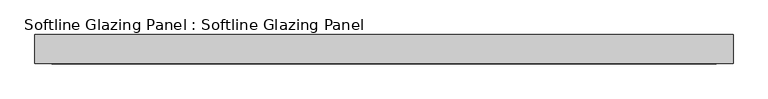
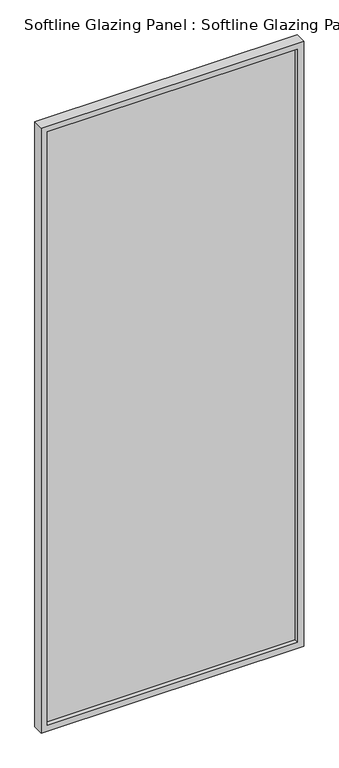
"""IFC4 building model written with IfcOpenShell, lengths in millimetres: plate geometry, Softline Glazing Panel : Softline Glazing Panel."""

from ifc_helpers import new_model, si_unit, frame, origin, place, context, project, spatial, polyline, outline, extrude, faceted_brep, source, transform, mapped, element, save


def softline_glazing_panel_softline_glazing_panel_7afdbf3e(model_context):
    return source(origin(), model_context, "Body", "SolidModel", [
        extrude(outline(polyline([(527.0, 4.0), (527.0, -4.0), (-527.0, -4.0), (-527.0, 4.0), (527.0, 4.0)])), frame((0.0, 0.0, 16.0), z_axis=(0.0, 0.0, 1.0), x_axis=(1.0, 0.0, 0.0)), (0.0, 0.0, 1.0), 2614.0),
        faceted_brep([(517.0, 4.0, 26.0), (517.0, 22.5, 26.0), (-517.0, 22.5, 26.0), (-517.0, 4.0, 26.0), (527.0, -4.0, 16.0), (527.0, 4.0, 16.0), (-527.0, 4.0, 16.0), (-527.0, -4.0, 16.0), (517.0, -22.5, 26.0), (517.0, -4.0, 26.0), (-517.0, -4.0, 26.0), (-517.0, -22.5, 26.0), (543.0, 22.5, 0.0), (543.0, -22.5, 0.0), (-543.0, -22.5, 0.0), (-543.0, 22.5, 0.0), (-517.0, 22.5, 2620.0), (-517.0, 4.0, 2620.0), (-527.0, 4.0, 2630.0), (-527.0, -4.0, 2630.0), (-517.0, -4.0, 2620.0), (-517.0, -22.5, 2620.0), (-543.0, -22.5, 2646.0), (-543.0, 22.5, 2646.0), (517.0, 22.5, 2620.0), (517.0, 4.0, 2620.0), (527.0, 4.0, 2630.0), (527.0, -4.0, 2630.0), (517.0, -4.0, 2620.0), (517.0, -22.5, 2620.0), (543.0, -22.5, 2646.0), (543.0, 22.5, 2646.0)], [[[0, 1, 2, 3]], [[4, 5, 6, 7]], [[8, 9, 10, 11]], [[12, 13, 14, 15]], [[3, 2, 16, 17]], [[7, 6, 18, 19]], [[11, 10, 20, 21]], [[15, 14, 22, 23]], [[17, 16, 24, 25]], [[19, 18, 26, 27]], [[21, 20, 28, 29]], [[23, 22, 30, 31]], [[15, 23, 31, 12], [1, 24, 16, 2]], [[25, 24, 1, 0]], [[5, 26, 18, 6], [3, 17, 25, 0]], [[27, 26, 5, 4]], [[7, 19, 27, 4], [9, 28, 20, 10]], [[29, 28, 9, 8]], [[13, 30, 22, 14], [11, 21, 29, 8]], [[31, 30, 13, 12]]]),
    ])


if __name__ == "__main__":
    model = new_model("IFC4")
    model_context = context("Model", 3, world=origin())
    ifc_project = project(units=[si_unit("LENGTHUNIT", "METRE", prefix="MILLI")], contexts=[model_context])
    site = spatial("IfcSite", under=ifc_project)
    building = spatial("IfcBuilding", under=site)
    placement = place(None, origin())
    softline_glazing_panel_softline_glazing_panel_shape = softline_glazing_panel_softline_glazing_panel_7afdbf3e(model_context)
    element("IfcPlate", 1, ObjectType="Softline Glazing Panel : Softline Glazing Panel", at=placement, inside=building, context=model_context, shape_type="MappedRepresentation", body=[
        mapped(softline_glazing_panel_softline_glazing_panel_shape, transform((0.0, 0.0, 0.0), x_axis=(1.0, 0.0, 0.0), y_axis=(0.0, 1.0, 0.0), z_axis=(0.0, 0.0, 1.0))),
    ])
    save(model, "model.ifc")
